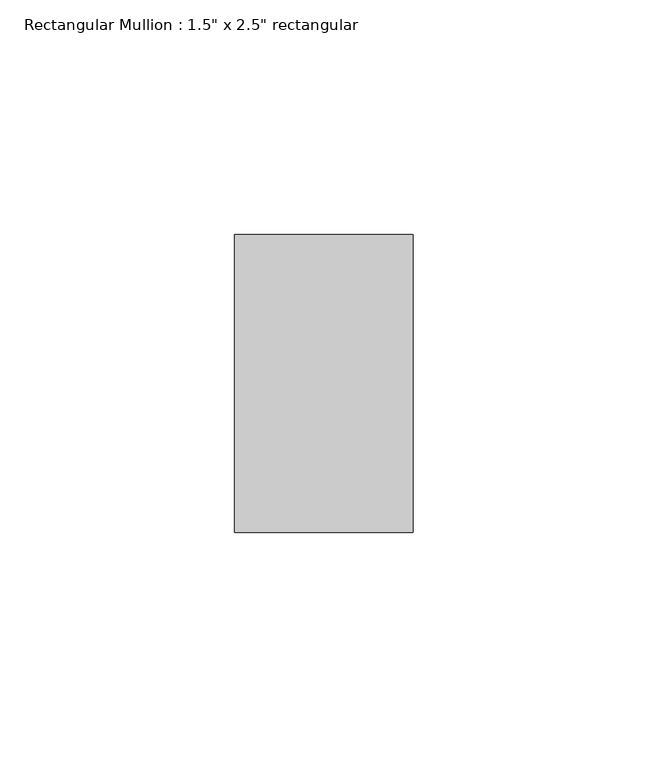
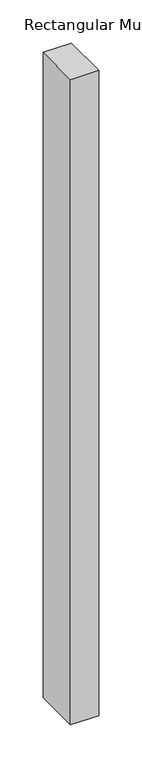
"""IFC4 building model written with IfcOpenShell, lengths in millimetres: member geometry."""

from ifc_helpers import new_model, si_unit, frame, origin, place, context, project, spatial, polyline, outline, extrude, source, transform, mapped, element, save


def member_c5b617ba(model_context):
    return source(origin(), model_context, "Body", "SweptSolid", [
        extrude(outline(polyline([(0.0, 31.75), (0.0, -31.75), (-38.1, -31.75), (-38.1, 31.75), (0.0, 31.75)])), frame((0.0, 0.0, -914.4), z_axis=(0.0, 0.0, 1.0), x_axis=(1.0, 0.0, 0.0)), (0.0, 0.0, 1.0), 914.4),
    ])


if __name__ == "__main__":
    model = new_model("IFC4")
    model_context = context("Model", 3, world=origin())
    ifc_project = project(units=[si_unit("LENGTHUNIT", "METRE", prefix="MILLI")], contexts=[model_context])
    site = spatial("IfcSite", under=ifc_project)
    building = spatial("IfcBuilding", under=site)
    placement = place(None, origin())
    member_shape = member_c5b617ba(model_context)
    element("IfcMember", 1, ObjectType="Rectangular Mullion : 1.5\" x 2.5\" rectangular", at=placement, inside=building, context=model_context, shape_type="MappedRepresentation", body=[
        mapped(member_shape, transform((0.0, 0.0, 0.0), x_axis=(1.0, 0.0, 0.0), y_axis=(0.0, 1.0, 0.0), z_axis=(0.0, 0.0, 1.0))),
    ])
    save(model, "model.ifc")
